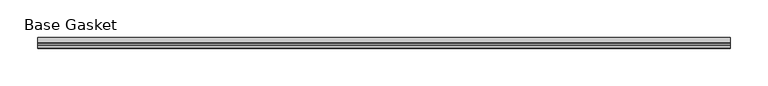
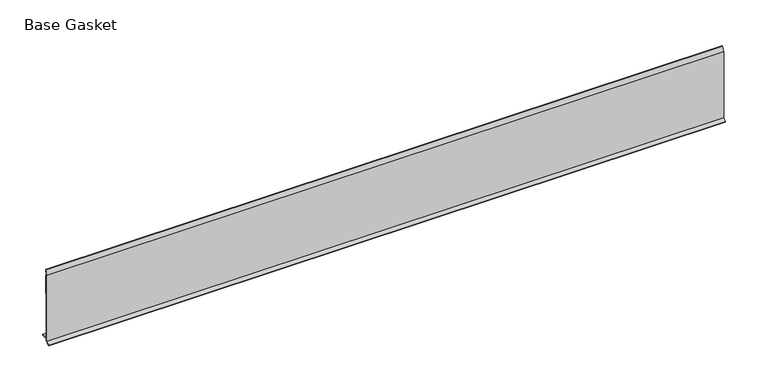
"""IFC4 building model written with IfcOpenShell, lengths in millimetres: furniture geometry, Base Gasket."""

from ifc_helpers import new_model, si_unit, frame, origin, place, context, project, spatial, polyline, outline, extrude, source, transform, mapped, element, save


def base_gasket_e9796f8b(model_context):
    return source(origin(), model_context, "Body", "SweptSolid", [
        extrude(outline(polyline([(-3.7283812, 98.4568417), (-1.1891543, 104.587663), (-0.6755308, 105.2002997), (-0.6755308, 104.4162708), (-2.2043812, 98.4568417), (-2.2043812, 96.8693477), (-1.4106313, 96.8693477), (-1.4106313, 71.4693447), (-2.2043812, 71.4693447), (-2.2043812, 7.9398773), (6.2405171, 7.9398773), (6.2405171, 6.3818476), (-2.1334222, 6.3818476), (-2.2043812, 4.3498477), (-6.8281054, 0.3520979), (-7.8482342, 0.0), (-7.4222115, 0.6560174), (-3.7283812, 4.3498477), (-3.7283812, 98.4568417)])), frame((-1527.8982117, 0.0, 0.0), z_axis=(1.0, 0.0, 0.0), x_axis=(0.0, 1.0, 0.0)), (0.0, 0.0, 1.0), 914.4),
    ])


if __name__ == "__main__":
    model = new_model("IFC4")
    model_context = context("Model", 3, world=origin())
    ifc_project = project(units=[si_unit("LENGTHUNIT", "METRE", prefix="MILLI")], contexts=[model_context])
    site = spatial("IfcSite", under=ifc_project)
    building = spatial("IfcBuilding", under=site)
    placement = place(None, origin())
    base_gasket_shape = base_gasket_e9796f8b(model_context)
    element("IfcFurniture", 1, ObjectType="Base Gasket", at=placement, inside=building, context=model_context, shape_type="MappedRepresentation", body=[
        mapped(base_gasket_shape, transform((0.0, 0.0, 0.0), x_axis=(1.0, 0.0, 0.0), y_axis=(0.0, 1.0, 0.0), z_axis=(0.0, 0.0, 1.0))),
    ])
    save(model, "model.ifc")
